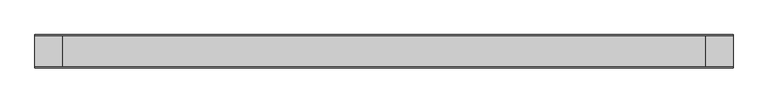
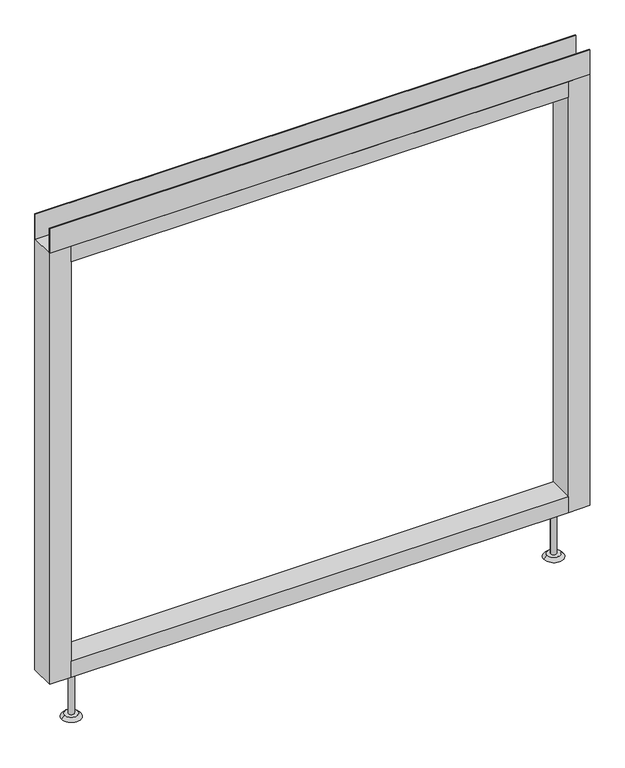
"""IFC4 building model written with IfcOpenShell, lengths in millimetres: furniture geometry."""

from ifc_helpers import new_model, si_unit, point, frame, frame_2d, origin, place, context, project, spatial, polyline, circle_curve, trimmed, segment, composite_curve, outline, extrude, source, transform, mapped, element, save
from ifc_brep_helpers import plane_surface, revolved_surface, advanced_brep


def furniture_695c4716(model_context):
    return source(origin(), model_context, "Body", "SolidModel", [
        advanced_brep(
        [(463.55, 0.0, 6.35), (488.95, 0.0, 6.35), (457.2, 0.0, 0.0), (495.3, 0.0, 0.0)],
        [
            (0, 1, circle_curve(frame((476.25, 0.0, 6.35), z_axis=(-3.04822833645449e-12, 0.0, 1.0), x_axis=(-1.0, 0.0, -3.0481774992714863e-12)), 12.7)),
            (1, 0, circle_curve(frame((476.25, 0.0, 6.35), z_axis=(-3.04822833645449e-12, 0.0, 1.0), x_axis=(1.0, 0.0, 3.0481774992807776e-12)), 12.7)),
            (2, 3, circle_curve(frame((476.25, 0.0, 0.0), z_axis=(3.04822833645449e-12, 0.0, -1.0), x_axis=(1.0, 0.0, 3.0481774992807776e-12)), 19.05)),
            (3, 2, circle_curve(frame((476.25, 0.0, 0.0), z_axis=(3.04822833645449e-12, 0.0, -1.0), x_axis=(-1.0, 0.0, -3.0481774992714863e-12)), 19.05)),
            (3, 1),
            (0, 2),
        ],
        [
            plane_surface(frame((476.25, 0.0, 6.35), z_axis=(0.0, 0.0, 1.0), x_axis=(0.0, -1.0, 0.0))),
            plane_surface(frame((476.25, 0.0, 0.0), z_axis=(0.0, 0.0, -1.0), x_axis=(0.0, -1.0, 0.0))),
            revolved_surface(polyline([(463.55, 0.0, 6.35), (457.19999999988386, 0.0, -1.1613821015998838e-10)]), (476.25, 0.0, 19.05), (3.04822833645449e-12, 0.0, -1.0)),
            revolved_surface(polyline([(488.94999999992257, 0.0, 6.350000000077424), (495.3, 0.0, 0.0)]), (476.25, 0.0, 19.05), (3.04822833645449e-12, 0.0, -1.0)),
        ],
        [
            (0, [[1, 2]]),
            (1, [[3, 4]]),
            (2, [[-4, 5, -1, 6]]),
            (3, [[-3, -6, -2, -5]]),
        ],
    ),
        advanced_brep(
        [(-488.95, 0.0, 6.35), (-463.55, 0.0, 6.35), (-495.3, 0.0, 0.0), (-457.2, 0.0, 0.0)],
        [
            (0, 1, circle_curve(frame((-476.25, 0.0, 6.35), z_axis=(1.065814103655416e-12, 0.0, 1.0), x_axis=(-1.0, 0.0, 1.065778760947478e-12)), 12.7)),
            (1, 0, circle_curve(frame((-476.25, 0.0, 6.35), z_axis=(1.065814103655416e-12, 0.0, 1.0), x_axis=(1.0, 0.0, -1.0657787609463422e-12)), 12.7)),
            (2, 3, circle_curve(frame((-476.25, 0.0, 0.0), z_axis=(-1.065814103655416e-12, 0.0, -1.0), x_axis=(1.0, 0.0, -1.0657787609463422e-12)), 19.05)),
            (3, 2, circle_curve(frame((-476.25, 0.0, 0.0), z_axis=(-1.065814103655416e-12, 0.0, -1.0), x_axis=(-1.0, 0.0, 1.065778760947478e-12)), 19.05)),
            (3, 1),
            (0, 2),
        ],
        [
            plane_surface(frame((-476.25, 0.0, 6.35), z_axis=(0.0, 0.0, 1.0), x_axis=(0.0, -1.0, 0.0))),
            plane_surface(frame((-476.25, 0.0, 0.0), z_axis=(0.0, 0.0, -1.0), x_axis=(0.0, -1.0, 0.0))),
            revolved_surface(polyline([(-488.94999999997293, 0.0, 6.350000000027071), (-495.3, 0.0, 0.0)]), (-476.25, 0.0, 19.05), (-1.065814103655416e-12, 0.0, -1.0)),
            revolved_surface(polyline([(-463.55, 0.0, 6.35), (-457.1999999999594, 0.0, -4.0607517348689726e-11)]), (-476.25, 0.0, 19.05), (-1.065814103655416e-12, 0.0, -1.0)),
        ],
        [
            (0, [[1, 2]]),
            (1, [[3, 4]]),
            (2, [[-4, 5, -1, 6]]),
            (3, [[-3, -6, -2, -5]]),
        ],
    ),
        extrude(outline(polyline([(533.4, -23.8125), (533.4, -25.4), (-533.4, -25.4), (-533.4, -23.8125), (533.4, -23.8125)])), frame((0.0, 0.0, 1000.633), z_axis=(0.0, 0.0, 1.0), x_axis=(1.0, 0.0, 0.0)), (0.0, 0.0, 1.0), 51.435),
        extrude(outline(polyline([(533.4, 25.4), (533.4, 23.8125), (-533.4, 23.8125), (-533.4, 25.4), (533.4, 25.4)])), frame((0.0, 0.0, 1000.633), z_axis=(0.0, 0.0, 1.0), x_axis=(1.0, 0.0, 0.0)), (0.0, 0.0, 1.0), 51.435),
        extrude(outline(polyline([(490.5375, -25.4), (-490.5375, -25.4), (-490.5375, 25.4), (490.5375, 25.4), (490.5375, -25.4)])), frame((0.0, 0.0, 967.74), z_axis=(0.0, 0.0, 1.0), x_axis=(1.0, 0.0, 0.0)), (0.0, 0.0, 1.0), 32.893),
        extrude(outline(polyline([(490.5375, -25.4), (-490.5375, -25.4), (-490.5375, 25.4), (490.5375, 25.4), (490.5375, -25.4)])), frame((0.0, 0.0, 101.6), z_axis=(0.0, 0.0, 1.0), x_axis=(1.0, 0.0, 0.0)), (0.0, 0.0, 1.0), 32.893),
        extrude(outline(composite_curve([segment(trimmed(circle_curve(frame_2d((-476.25, 0.0)), 5.55625), [point((-481.80625, 0.0))], [point((-470.69375, 0.0))], False, "CARTESIAN"), True, "CONTINUOUS"), segment(trimmed(circle_curve(frame_2d((-476.25, 0.0)), 5.55625), [point((-470.69375, 0.0))], [point((-481.80625, 0.0))], False, "CARTESIAN"), True, "CONTINUOUS")], self_intersect=False)), frame((0.0, 0.0, 6.35), z_axis=(0.0, 0.0, 1.0), x_axis=(1.0, 0.0, 0.0)), (0.0, 0.0, 1.0), 95.25),
        extrude(outline(composite_curve([segment(trimmed(circle_curve(frame_2d((476.25, 0.0)), 5.55625), [point((470.69375, 0.0))], [point((481.80625, 0.0))], False, "CARTESIAN"), True, "CONTINUOUS"), segment(trimmed(circle_curve(frame_2d((476.25, 0.0)), 5.55625), [point((481.80625, 0.0))], [point((470.69375, 0.0))], False, "CARTESIAN"), True, "CONTINUOUS")], self_intersect=False)), frame((0.0, 0.0, 6.35), z_axis=(0.0, 0.0, 1.0), x_axis=(1.0, 0.0, 0.0)), (0.0, 0.0, 1.0), 95.25),
        extrude(outline(polyline([(-490.5375, -25.4), (-533.4, -25.4), (-533.4, 25.4), (-490.5375, 25.4), (-490.5375, -25.4)])), frame((0.0, 0.0, 101.6), z_axis=(0.0, 0.0, 1.0), x_axis=(1.0, 0.0, 0.0)), (0.0, 0.0, 1.0), 899.033),
        extrude(outline(polyline([(533.4, -25.4), (490.5375, -25.4), (490.5375, 25.4), (533.4, 25.4), (533.4, -25.4)])), frame((0.0, 0.0, 101.6), z_axis=(0.0, 0.0, 1.0), x_axis=(1.0, 0.0, 0.0)), (0.0, 0.0, 1.0), 899.033),
    ])


if __name__ == "__main__":
    model = new_model("IFC4")
    model_context = context("Model", 3, world=origin())
    ifc_project = project(units=[si_unit("LENGTHUNIT", "METRE", prefix="MILLI")], contexts=[model_context])
    site = spatial("IfcSite", under=ifc_project)
    building = spatial("IfcBuilding", under=site)
    placement = place(None, origin())
    furniture_shape = furniture_695c4716(model_context)
    element("IfcFurniture", 1, at=placement, inside=building, context=model_context, shape_type="MappedRepresentation", body=[
        mapped(furniture_shape, transform((0.0, 0.0, 0.0), x_axis=(1.0, 0.0, 0.0), y_axis=(0.0, 1.0, 0.0), z_axis=(0.0, 0.0, 1.0))),
    ])
    save(model, "model.ifc")
